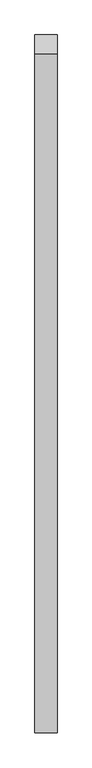
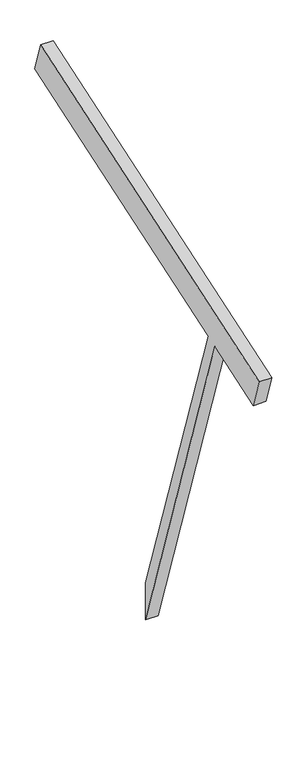
"""IFC4 building model written with IfcOpenShell, lengths in millimetres: proxy geometry."""

import ifcopenshell
import ifcopenshell.guid

model = None  # the IFC model being written
_history = None  # IfcOwnerHistory: only IFC2X3 demands one
_inside = {}  # id of a spatial element -> (the spatial element, [elements in it])
_under = {}  # id of a project, library or spatial element -> (it, [spatial elements below it])
_declared = {}  # id of a project -> (the project, [libraries it declares])
_typed = {}  # id of a type object -> (the type object, [elements of that type])
_made_of = {}  # id of a material, layer set ... -> (it, [elements and type objects made of it])


def new_model(schema):
    """Start an empty IFC model of exactly this schema.

    Asked for "IFC4X3", IfcOpenShell would pick the latest addendum, in which some entities
    have other attributes; the version numbers below select the first issue.
    IFC2X3 requires an IfcOwnerHistory on every rooted entity: one is made here for all.
    """
    global model, _history
    if schema == "IFC4X3":
        model = ifcopenshell.file(schema_version=(4, 3, 0, 0))
    else:
        model = ifcopenshell.file(schema=schema)
    _inside.clear()
    _under.clear()
    _declared.clear()
    _typed.clear()
    _made_of.clear()
    _history = None
    if model.schema == "IFC2X3":
        org = make("IfcOrganization", Name="unknown")
        user = make(
            "IfcPersonAndOrganization",
            ThePerson=make("IfcPerson", FamilyName="unknown"),
            TheOrganization=org,
        )
        app = make(
            "IfcApplication",
            ApplicationDeveloper=org,
            Version="unknown",
            ApplicationFullName="unknown",
            ApplicationIdentifier="unknown",
        )
        _history = make(
            "IfcOwnerHistory",
            OwningUser=user,
            OwningApplication=app,
            ChangeAction="ADDED",
            CreationDate=0,
        )
    return model


def make(cls, **values):
    """One entity of the class cls with the attributes given. An attribute that is None is left unset."""
    return model.create_entity(
        cls, **{name: value for name, value in values.items() if value is not None}
    )


def rooted(cls, **values):
    """An entity with a GlobalId (a new one), such as an element, a storey or a relation."""
    return make(cls, GlobalId=ifcopenshell.guid.new(), OwnerHistory=_history, **values)


def si_unit(unit_type, name, prefix=None):
    """IfcSIUnit, for example si_unit("LENGTHUNIT", "METRE", prefix="MILLI")."""
    return make("IfcSIUnit", UnitType=unit_type, Prefix=prefix, Name=name)


def assignment(units):
    """IfcUnitAssignment: the units of a project."""
    return None if units is None else make("IfcUnitAssignment", Units=units)


def point(xyz):
    """IfcCartesianPoint."""
    return None if xyz is None else make("IfcCartesianPoint", Coordinates=xyz)


def direction(xyz):
    """IfcDirection."""
    return None if xyz is None else make("IfcDirection", DirectionRatios=xyz)


def frame(location, z_axis=None, x_axis=None):
    """IfcAxis2Placement3D, a coordinate frame: its origin and axes. An axis left out is left unset."""
    return make(
        "IfcAxis2Placement3D",
        Location=point(location),
        Axis=direction(z_axis),
        RefDirection=direction(x_axis),
    )


def origin():
    """The frame at (0, 0, 0) with its axes left unset."""
    return frame((0.0, 0.0, 0.0))


def place(relative_to, where):
    """IfcLocalPlacement: puts the frame where relative to a parent placement (None: the world)."""
    return make(
        "IfcLocalPlacement", PlacementRelTo=relative_to, RelativePlacement=where
    )


def context(
    kind, dimensions, precision=None, world=None, true_north=None, identifier=None
):
    """IfcGeometricRepresentationContext, for example the 3D "Model" context."""
    return make(
        "IfcGeometricRepresentationContext",
        ContextIdentifier=identifier,
        ContextType=kind,
        CoordinateSpaceDimension=dimensions,
        Precision=precision,
        WorldCoordinateSystem=world,
        TrueNorth=true_north,
    )


def project(units=None, contexts=None):
    """IfcProject with its units and contexts."""
    return rooted(
        "IfcProject",
        Name="project",
        RepresentationContexts=contexts,
        UnitsInContext=assignment(units),
    )


def spatial(cls, under=None, at=None, **own):
    """A site, building, storey or space (cls), placed at a placement, below another one or the project."""
    s = rooted(cls, ObjectPlacement=at, **own)
    if under is not None:
        _under.setdefault(under.id(), (under, []))[1].append(s)
    return s


def polyline(points):
    """IfcPolyline through the points."""
    return make("IfcPolyline", Points=[point(p) for p in points])


def outline(outer, holes=None, kind="AREA"):
    """IfcArbitraryClosedProfileDef: a profile drawn as a closed curve; with holes, ...WithVoids."""
    if holes is None:
        return make("IfcArbitraryClosedProfileDef", ProfileType=kind, OuterCurve=outer)
    return make(
        "IfcArbitraryProfileDefWithVoids",
        ProfileType=kind,
        OuterCurve=outer,
        InnerCurves=holes,
    )


def extrude(swept, where, along, depth):
    """IfcExtrudedAreaSolid: the profile swept, set in the frame where, extruded along a direction by depth."""
    return make(
        "IfcExtrudedAreaSolid",
        SweptArea=swept,
        Position=where,
        ExtrudedDirection=direction(along),
        Depth=depth,
    )


def shape(context_of_items, identifier, shape_type, items):
    """IfcShapeRepresentation: the items that make up one representation, for example the "Body"."""
    return make(
        "IfcShapeRepresentation",
        ContextOfItems=context_of_items,
        RepresentationIdentifier=identifier,
        RepresentationType=shape_type,
        Items=items,
    )


def source(mapping_origin, context_of_items, identifier, shape_type, items):
    """IfcRepresentationMap: a shape defined once, which mapped items show again and again."""
    return make(
        "IfcRepresentationMap",
        MappingOrigin=mapping_origin,
        MappedRepresentation=shape(context_of_items, identifier, shape_type, items),
    )


def transform(
    local_origin,
    x_axis=None,
    y_axis=None,
    z_axis=None,
    scale=None,
    scale2=None,
    scale3=None,
    uniform=True,
):
    """IfcCartesianTransformationOperator3D, or its non-uniform kind. x_axis, y_axis, z_axis: its Axis1, 2, 3."""
    if uniform:
        return make(
            "IfcCartesianTransformationOperator3D",
            Axis1=direction(x_axis),
            Axis2=direction(y_axis),
            LocalOrigin=point(local_origin),
            Scale=scale,
            Axis3=direction(z_axis),
        )
    return make(
        "IfcCartesianTransformationOperator3DnonUniform",
        Axis1=direction(x_axis),
        Axis2=direction(y_axis),
        LocalOrigin=point(local_origin),
        Scale=scale,
        Axis3=direction(z_axis),
        Scale2=scale2,
        Scale3=scale3,
    )


def mapped(mapping_source, mapping_target):
    """IfcMappedItem: shows the shape of a source again, moved by a transform."""
    return make(
        "IfcMappedItem", MappingSource=mapping_source, MappingTarget=mapping_target
    )


def made_of(thing, what):
    """Note that an element or type object is made of a material, layer set ...; save() writes the relation."""
    if what is not None:
        _made_of.setdefault(what.id(), (what, []))[1].append(thing)
    return thing


def element(
    cls,
    number,
    at=None,
    inside=None,
    cuts=None,
    type_object=None,
    material=None,
    context=None,
    identifier="Body",
    shape_type=None,
    held_by="IfcProductDefinitionShape",
    body=None,
    shapes=None,
    **own,
):
    """One element of the class cls, such as IfcWall. Its Tag is "e" and its number.

    at: its placement. inside: the storey or other place that contains it. cuts: it is an
    opening in that element (IfcRelVoidsElement). A single representation is given by context,
    identifier, shape_type and body (its items); several are given by shapes. held_by: the class
    of the entity that holds the representations. save() writes the other relations.
    """
    e = rooted(cls, Tag="e%d" % number, ObjectPlacement=at, **own)
    if body is not None:
        shapes = [shape(context, identifier, shape_type, body)]
    if shapes is not None:
        e.Representation = make(held_by, Representations=shapes)
    if inside is not None:
        _inside.setdefault(inside.id(), (inside, []))[1].append(e)
    if cuts is not None:
        rooted(
            "IfcRelVoidsElement", RelatingBuildingElement=cuts, RelatedOpeningElement=e
        )
    if type_object is not None:
        _typed.setdefault(type_object.id(), (type_object, []))[1].append(e)
    return made_of(e, material)


def aggregate(whole, parts):
    """IfcRelAggregates: a whole, such as a stair, and the parts it consists of."""
    return rooted("IfcRelAggregates", RelatingObject=whole, RelatedObjects=parts)


def save(model, path):
    """Write the relations noted so far, then the file.

    IfcRelAggregates (storeys below a building ...), IfcRelContainedInSpatialStructure (elements
    in a storey), IfcRelDefinesByType, IfcRelAssociatesMaterial and IfcRelDeclares: one each for
    every whole, place, type object, material and project.
    """
    for whole, parts in _under.values():
        aggregate(whole, parts)
    for where, things in _inside.values():
        rooted(
            "IfcRelContainedInSpatialStructure",
            RelatedElements=things,
            RelatingStructure=where,
        )
    for kind, things in _typed.values():
        rooted("IfcRelDefinesByType", RelatedObjects=things, RelatingType=kind)
    for what, things in _made_of.values():
        rooted("IfcRelAssociatesMaterial", RelatedObjects=things, RelatingMaterial=what)
    for by, libraries in _declared.values():
        rooted("IfcRelDeclares", RelatingContext=by, RelatedDefinitions=libraries)
    model.write(path)


def generic_models_3cd1bae0(model_context):
    return source(origin(), model_context, "Body", "SweptSolid", [
        extrude(outline(polyline([(154628.1778776, 3259.5545979), (154218.5364295, 3123.0074485), (154154.2789475, 3315.7798947), (156491.6448572, 4094.9018646), (156555.9023393, 3902.1294184), (154700.467545, 3283.6511537), (155372.5596581, 1267.3748141), (155372.5596581, 1026.4092564), (154628.1778776, 3259.5545979)])), frame((226924.3728488, 0.0, 0.0), z_axis=(1.0, 0.0, 0.0), x_axis=(0.0, 1.0, 0.0)), (0.0, 0.0, 1.0), 76.2),
    ])


if __name__ == "__main__":
    model = new_model("IFC4")
    model_context = context("Model", 3, world=origin())
    ifc_project = project(units=[si_unit("LENGTHUNIT", "METRE", prefix="MILLI")], contexts=[model_context])
    site = spatial("IfcSite", under=ifc_project)
    building = spatial("IfcBuilding", under=site)
    placement = place(None, origin())
    generic_models_shape = generic_models_3cd1bae0(model_context)
    element("IfcBuildingElementProxy", 1, Name="Generic Models", at=placement, inside=building, context=model_context, shape_type="MappedRepresentation", body=[
        mapped(generic_models_shape, transform((0.0, 0.0, 0.0), x_axis=(1.0, 0.0, 0.0), y_axis=(0.0, 1.0, 0.0), z_axis=(0.0, 0.0, 1.0))),
    ])
    save(model, "model.ifc")
